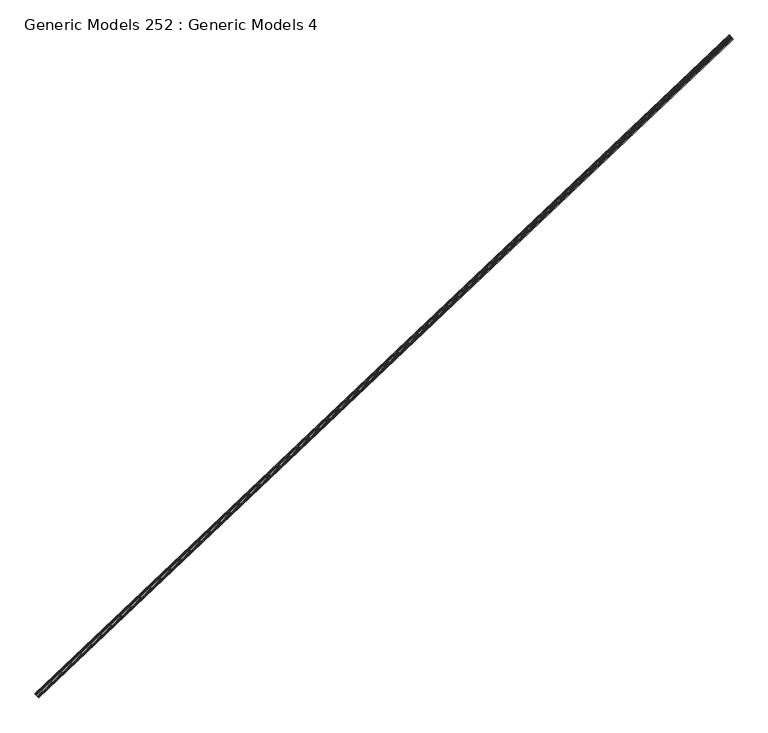
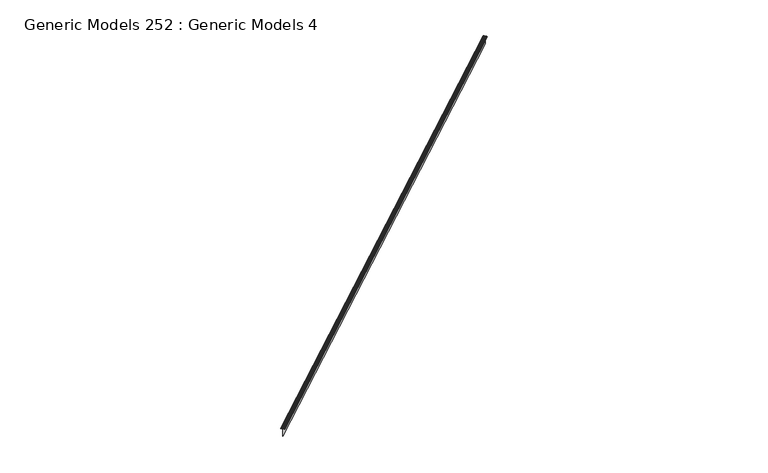
"""IFC4 building model written with IfcOpenShell, lengths in millimetres: proxy geometry, Generic Models 252 : Generic Models 4."""

from ifc_helpers import new_model, si_unit, point, frame, frame_2d, origin, place, context, project, spatial, polyline, circle_curve, trimmed, segment, composite_curve, outline, extrude, source, transform, mapped, element, save


def generic_models_252_generic_models_4_b7bf33f2(model_context):
    return source(origin(), model_context, "Body", "SweptSolid", [
        extrude(outline(composite_curve([segment(polyline([(0.2907612, -20.2989114), (2.0904889, -16.9994106)]), True, "CONTINUOUS"), segment(trimmed(circle_curve(frame_2d((0.0, -15.8591441)), 2.38125), [point((2.0904889, -16.9994106))], [point((2.38125, -15.8591441))], True, "CARTESIAN"), True, "CONTINUOUS"), segment(polyline([(2.38125, -15.8591441), (2.38125, -12.4158865)]), True, "CONTINUOUS"), segment(trimmed(circle_curve(frame_2d((-3.175, -12.4158865)), 5.55625), [point((2.38125, -12.4158865))], [point((1.9319996, -10.2271724))], True, "CARTESIAN"), True, "CONTINUOUS"), segment(polyline([(1.9319996, -10.2271724), (0.1925359, -6.1684237)]), True, "CONTINUOUS"), segment(trimmed(circle_curve(frame_2d((2.38125, -5.2304034)), 2.38125), [point((0.1925359, -6.1684237))], [point((0.0, -5.2304034))], False, "CARTESIAN"), True, "CONTINUOUS"), segment(polyline([(0.0, -5.2304034), (0.0, -2.778125), (-0.79375, -2.3812501), (-7.14375, -2.3812501), (-7.8241071, -1.5875001), (-105.965625, -1.5875001), (-107.15625, 0.0), (-105.965625, 1.5875), (-7.8241071, 1.5875), (-7.14375, 2.38125), (-0.79375, 2.38125), (0.0, 2.7781249), (0.0, 5.2304033)]), True, "CONTINUOUS"), segment(trimmed(circle_curve(frame_2d((2.38125, 5.2304033)), 2.38125), [point((0.0, 5.2304033))], [point((0.1925359, 6.1684237))], False, "CARTESIAN"), True, "CONTINUOUS"), segment(polyline([(0.1925359, 6.1684237), (1.9319996, 10.2271722)]), True, "CONTINUOUS"), segment(trimmed(circle_curve(frame_2d((-3.175, 12.4158863)), 5.55625), [point((1.9319996, 10.2271722))], [point((2.38125, 12.4158863))], True, "CARTESIAN"), True, "CONTINUOUS"), segment(polyline([(2.38125, 12.4158863), (2.38125, 15.859144)]), True, "CONTINUOUS"), segment(trimmed(circle_curve(frame_2d((0.0, 15.859144)), 2.38125), [point((2.38125, 15.859144))], [point((2.0904889, 16.9994106))], True, "CARTESIAN"), True, "CONTINUOUS"), segment(polyline([(2.0904889, 16.9994106), (0.2907612, 20.2989113)]), True, "CONTINUOUS"), segment(trimmed(circle_curve(frame_2d((2.38125, 21.4391779)), 2.38125), [point((0.2907612, 20.2989113))], [point((0.0, 21.4391779))], False, "CARTESIAN"), True, "CONTINUOUS"), segment(polyline([(0.0, 21.4391779), (0.0, 25.4), (0.79375, 25.4), (0.79375, 21.4391779)]), True, "CONTINUOUS"), segment(trimmed(circle_curve(frame_2d((2.38125, 21.4391779)), 1.5875), [point((0.79375, 21.4391779))], [point((0.9875908, 20.6790001))], True, "CARTESIAN"), True, "CONTINUOUS"), segment(polyline([(0.9875908, 20.6790001), (2.7873185, 17.3794995)]), True, "CONTINUOUS"), segment(trimmed(circle_curve(frame_2d((0.0, 15.859144)), 3.175), [point((2.7873185, 17.3794995))], [point((3.175, 15.859144))], False, "CARTESIAN"), True, "CONTINUOUS"), segment(polyline([(3.175, 15.859144), (3.175, 12.4158863)]), True, "CONTINUOUS"), segment(trimmed(circle_curve(frame_2d((-3.175, 12.4158863)), 6.35), [point((3.175, 12.4158863))], [point((2.661571, 9.9144988))], False, "CARTESIAN"), True, "CONTINUOUS"), segment(polyline([(2.661571, 9.9144988), (0.79375, 5.55625), (0.79375, 4.7624999)]), True, "CONTINUOUS"), segment(trimmed(circle_curve(frame_2d((2.3688477, 1.8355468)), 3.3238513), [point((0.79375, 4.7624999))], [point((2.38125, 5.1593749))], False, "CARTESIAN"), True, "CONTINUOUS"), segment(polyline([(2.38125, 5.1593749), (3.175, 3.5718749), (3.175, -3.571875), (2.38125, -5.159375)]), True, "CONTINUOUS"), segment(trimmed(circle_curve(frame_2d((2.3688477, -1.8355469)), 3.3238513), [point((2.38125, -5.159375))], [point((0.79375, -4.7625001))], False, "CARTESIAN"), True, "CONTINUOUS"), segment(polyline([(0.79375, -4.7625001), (0.79375, -5.55625), (2.661571, -9.9144989)]), True, "CONTINUOUS"), segment(trimmed(circle_curve(frame_2d((-3.175, -12.4158865)), 6.35), [point((2.661571, -9.9144989))], [point((3.175, -12.4158865))], False, "CARTESIAN"), True, "CONTINUOUS"), segment(polyline([(3.175, -12.4158865), (3.175, -15.8591441)]), True, "CONTINUOUS"), segment(trimmed(circle_curve(frame_2d((0.0, -15.8591441)), 3.175), [point((3.175, -15.8591441))], [point((2.7873185, -17.3794996))], False, "CARTESIAN"), True, "CONTINUOUS"), segment(polyline([(2.7873185, -17.3794996), (0.9875908, -20.6790003)]), True, "CONTINUOUS"), segment(trimmed(circle_curve(frame_2d((2.38125, -21.439178)), 1.5875), [point((0.9875908, -20.6790003))], [point((0.79375, -21.439178))], True, "CARTESIAN"), True, "CONTINUOUS"), segment(polyline([(0.79375, -21.439178), (0.79375, -25.4000001), (0.0, -25.4000001), (0.0, -21.439178)]), True, "CONTINUOUS"), segment(trimmed(circle_curve(frame_2d((2.38125, -21.439178)), 2.38125), [point((0.0, -21.439178))], [point((0.2907612, -20.2989114))], False, "CARTESIAN"), True, "CONTINUOUS")], self_intersect=False)), frame((108648.1785001, 48678.8298629, 18014.6662102), z_axis=(0.7253743710122164, 0.6883545756938292, 0.0), x_axis=(0.0, 0.0, 1.0)), (0.0, 0.0, 1.0), 8321.675),
    ])


if __name__ == "__main__":
    model = new_model("IFC4")
    model_context = context("Model", 3, world=origin())
    ifc_project = project(units=[si_unit("LENGTHUNIT", "METRE", prefix="MILLI")], contexts=[model_context])
    site = spatial("IfcSite", under=ifc_project)
    building = spatial("IfcBuilding", under=site)
    placement = place(None, origin())
    generic_models_252_generic_models_4_shape = generic_models_252_generic_models_4_b7bf33f2(model_context)
    element("IfcBuildingElementProxy", 1, Name="Generic Models 252 : Generic Models 4", ObjectType="Generic Models 252 : Generic Models 4", at=placement, inside=building, context=model_context, shape_type="MappedRepresentation", body=[
        mapped(generic_models_252_generic_models_4_shape, transform((0.0, 0.0, 0.0), x_axis=(1.0, 0.0, 0.0), y_axis=(0.0, 1.0, 0.0), z_axis=(0.0, 0.0, 1.0))),
    ])
    save(model, "model.ifc")
